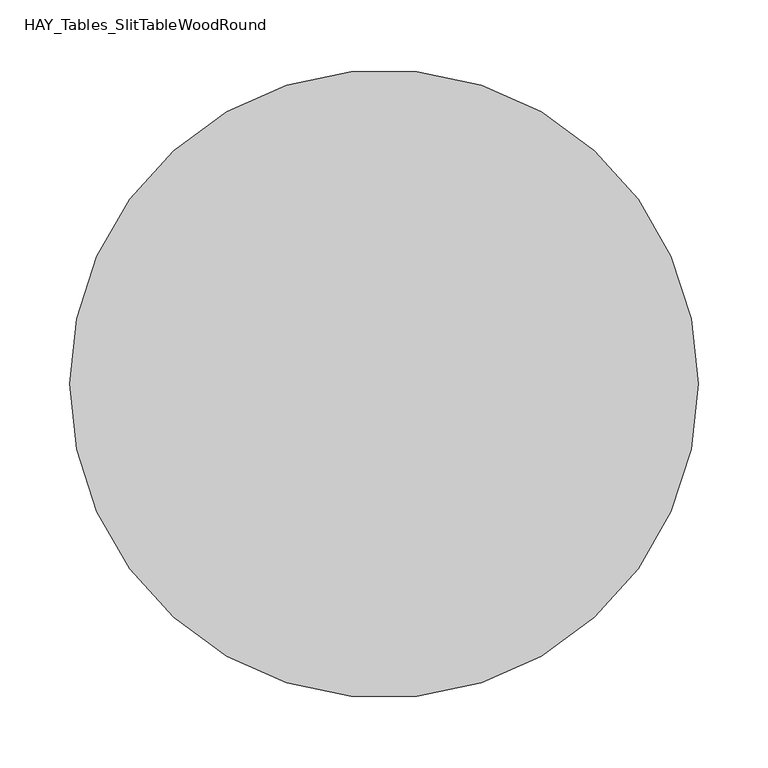
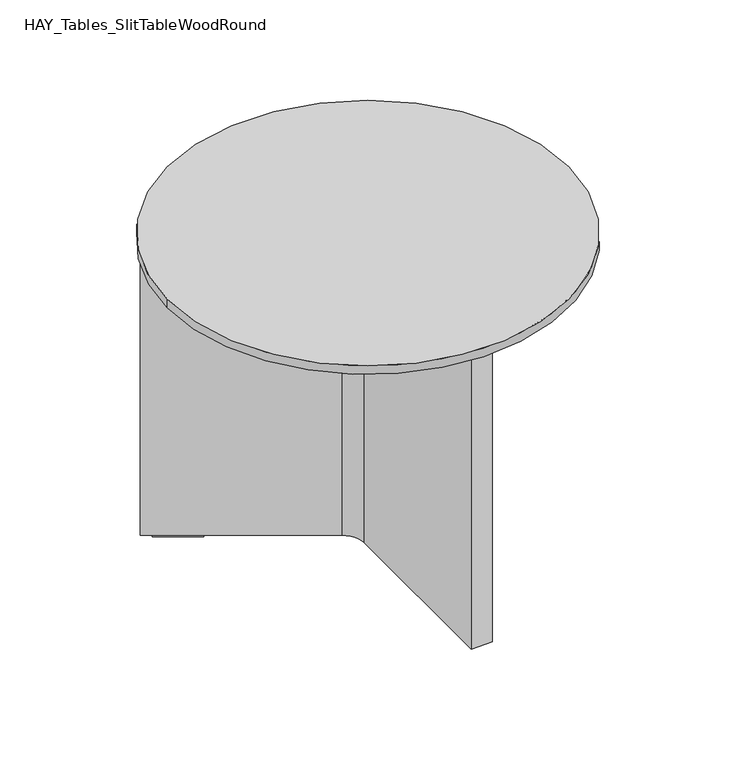
"""IFC4 building model written with IfcOpenShell, lengths in millimetres: furniture geometry, HAY_Tables_SlitTableWoodRound."""

from ifc_helpers import new_model, si_unit, point, frame, frame_2d, origin, origin_with_axes, origin_2d, place, context, project, spatial, polyline, circle_curve, trimmed, segment, composite_curve, outline, extrude, source, transform, mapped, element, save


def hay_tables_slittablewoodround_f3a2d2cd(model_context):
    return source(origin(), model_context, "Body", "SweptSolid", [
        extrude(outline(polyline([(-179.7628284, 107.2502214), (-136.4615652, 82.2502212), (-139.4615637, 77.0540721), (-182.7628269, 102.0540723), (-179.7628284, 107.2502214)])), origin_with_axes(), (0.0, 0.0, 1.0), 3.0),
        extrude(outline(polyline([(136.4615652, 82.2502212), (179.7628284, 107.2502214), (182.7628269, 102.0540723), (139.4615637, 77.0540721), (136.4615652, 82.2502212)])), origin_with_axes(), (0.0, 0.0, 1.0), 3.0),
        extrude(outline(polyline([(3.0, -159.3042842), (3.0, -209.3042846), (-3.0, -209.3042846), (-3.0, -159.3042842), (3.0, -159.3042842)])), origin_with_axes(), (0.0, 0.0, 1.0), 3.0),
        extrude(outline(polyline([(12.0007721, -13.2786101), (12.0007721, -221.0004457), (-12.0007721, -221.0004457), (-12.0007721, -13.2786101), (12.0007721, -13.2786101)])), frame((0.0, 0.0, 3.0), z_axis=(0.0, 0.0, 1.0), x_axis=(1.0, 0.0, 0.0)), (0.0, 0.0, 1.0), 345.0000157),
        extrude(outline(composite_curve([segment(trimmed(circle_curve(frame_2d((-37.0007721, -13.2786108)), 34.9999999), [point((-19.5007719, 17.0322782))], [point((-2.0007721, -13.2786101))], False, "CARTESIAN"), True, "CONTINUOUS"), segment(polyline([(-2.0007721, -13.2786101), (-12.0007716, -13.2786101)]), True, "CONTINUOUS"), segment(trimmed(circle_curve(frame_2d((-37.0007701, -13.2786095)), 24.9999984), [point((-12.0007716, -13.2786101))], [point((-24.500771, 8.3720243))], True, "CARTESIAN"), True, "CONTINUOUS"), segment(polyline([(-24.500771, 8.3720243), (-193.8916171, 106.1698731), (-188.8916134, 114.8301275), (-19.5007719, 17.0322782)]), True, "CONTINUOUS")], self_intersect=False)), frame((0.0, 0.0, 3.0), z_axis=(0.0, 0.0, 1.0), x_axis=(1.0, 0.0, 0.0)), (0.0, 0.0, 1.0), 345.0000157),
        extrude(outline(composite_curve([segment(polyline([(188.8916134, 114.8301275), (193.8916171, 106.1698731), (24.5007717, 8.3720247)]), True, "CONTINUOUS"), segment(trimmed(circle_curve(frame_2d((37.0007709, -13.2786095)), 24.9999989), [point((24.5007717, 8.3720247))], [point((12.0007721, -13.2786101))], True, "CARTESIAN"), True, "CONTINUOUS"), segment(polyline([(12.0007721, -13.2786101), (2.0007717, -13.2786101)]), True, "CONTINUOUS"), segment(trimmed(circle_curve(frame_2d((37.0007712, -13.2786108)), 34.9999995), [point((2.0007717, -13.2786101))], [point((19.5007712, 17.0322778))], False, "CARTESIAN"), True, "CONTINUOUS"), segment(polyline([(19.5007712, 17.0322778), (188.8916134, 114.8301275)]), True, "CONTINUOUS")], self_intersect=False)), frame((0.0, 0.0, 3.0), z_axis=(0.0, 0.0, 1.0), x_axis=(1.0, 0.0, 0.0)), (0.0, 0.0, 1.0), 345.0000157),
        extrude(outline(composite_curve([segment(trimmed(circle_curve(origin_2d(), 225.0000017), [point((-225.0000017, 0.0))], [point((225.0000017, 0.0))], False, "CARTESIAN"), True, "CONTINUOUS"), segment(trimmed(circle_curve(origin_2d(), 225.0000017), [point((225.0000017, 0.0))], [point((-225.0000017, 0.0))], False, "CARTESIAN"), True, "CONTINUOUS")], self_intersect=False)), frame((0.0, 0.0, 348.0000157), z_axis=(0.0, 0.0, 1.0), x_axis=(1.0, 0.0, 0.0)), (0.0, 0.0, 1.0), 9.999971),
    ])


if __name__ == "__main__":
    model = new_model("IFC4")
    model_context = context("Model", 3, world=origin())
    ifc_project = project(units=[si_unit("LENGTHUNIT", "METRE", prefix="MILLI")], contexts=[model_context])
    site = spatial("IfcSite", under=ifc_project)
    building = spatial("IfcBuilding", under=site)
    placement = place(None, origin())
    hay_tables_slittablewoodround_shape = hay_tables_slittablewoodround_f3a2d2cd(model_context)
    element("IfcFurniture", 1, ObjectType="HAY_Tables_SlitTableWoodRound", at=placement, inside=building, context=model_context, shape_type="MappedRepresentation", body=[
        mapped(hay_tables_slittablewoodround_shape, transform((0.0, 0.0, 0.0), x_axis=(1.0, 0.0, 0.0), y_axis=(0.0, 1.0, 0.0), z_axis=(0.0, 0.0, 1.0))),
    ])
    save(model, "model.ifc")
